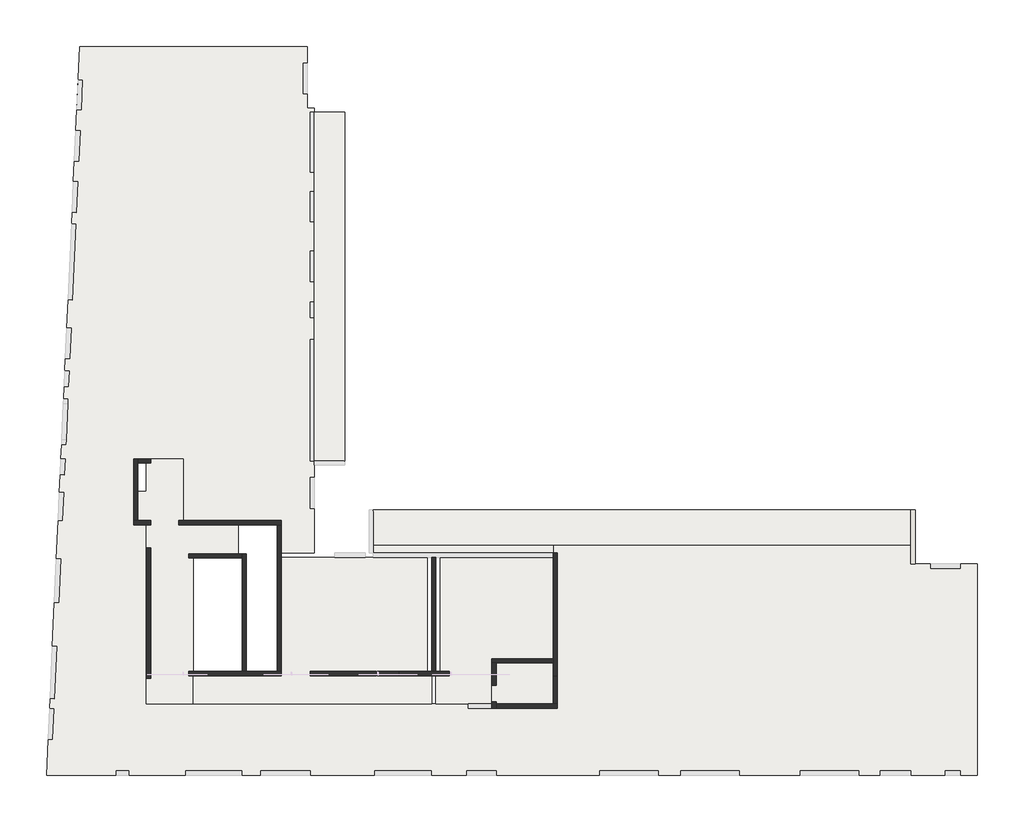
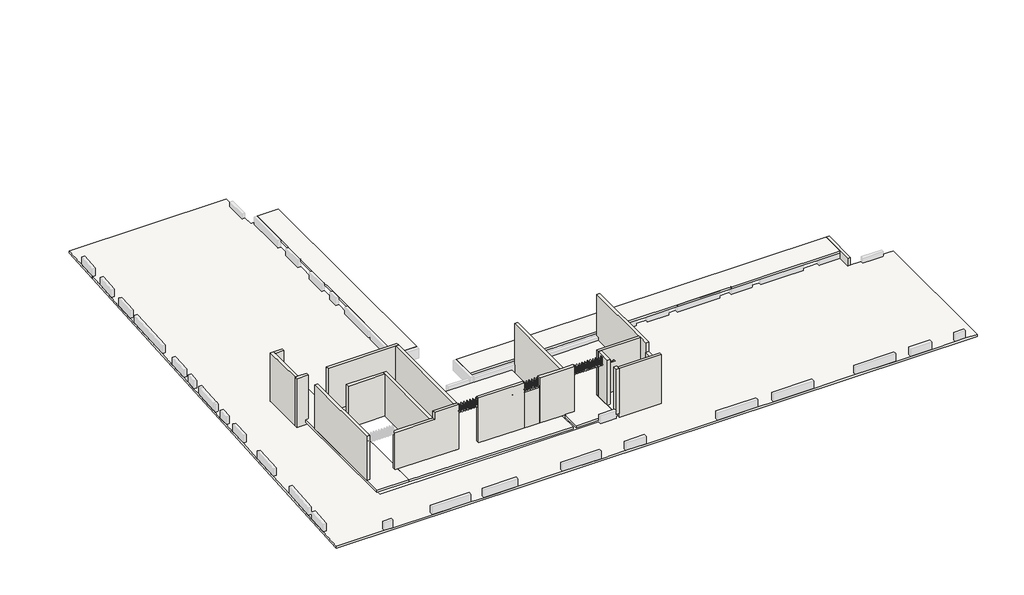
# One storey, part 1 of 3: 20 walls, 8 slabs.
"""IFC4 building model written with IfcOpenShell, lengths in millimetres."""

from ifc_helpers import new_model, si_unit, frame, origin, place, context, project, spatial, polyline, outline, extrude, faceted_brep, element, save

model = new_model("IFC4")

# Units and contexts
model_context = context("Model", 3, world=origin())
ifc_project = project(units=[si_unit("LENGTHUNIT", "METRE", prefix="MILLI")], contexts=[model_context])

# Site, building, storey
site = spatial("IfcSite", under=ifc_project)
building = spatial("IfcBuilding", under=site)
storey = spatial("IfcBuildingStorey", under=building, Elevation=22410.0)

# Slabs
placement = place(None, origin())
element("IfcSlab", 1, ObjectType="LHA15", at=placement, inside=storey, context=model_context, shape_type="Brep", body=[
    faceted_brep([(-40059.8363693, 17730.9327501, 22260.0), (-40059.8363693, 17730.9327501, 22410.0), (-29395.6912908, 17730.9327501, 22410.0), (-29395.6912908, 17730.9327501, 22260.0), (-17885.6912908, -5419.0672499, 22260.0), (-17885.6912908, -5419.0672499, 22410.0), (-14995.6912908, -5419.0672499, 22410.0), (-14215.6912908, -5419.0672499, 22410.0), (-12775.6912908, -5419.0672499, 22410.0), (-12195.6912908, -5419.0672499, 22410.0), (-9305.6912908, -5419.0672499, 22410.0), (-8525.6912908, -5419.0672499, 22410.0), (-7085.6912908, -5419.0672499, 22410.0), (-6505.6912908, -5419.0672499, 22410.0), (-3615.6912908, -5419.0672499, 22410.0), (-2545.6912908, -5419.0672499, 22410.0), (-1125.6912908, -5419.0672499, 22410.0), (-925.6912908, -5419.0672499, 22410.0), (-925.6912908, -5419.0672499, 22260.0), (1994.3087092, -6519.0672499, 22260.0), (1994.3087092, -6519.0672499, 22410.0), (1994.3087092, -16419.0672499, 22410.0), (1994.3087092, -16419.0672499, 22260.0), (1179.3087092, -16419.0672499, 22410.0), (489.3087092, -16419.0672499, 22410.0), (-1125.6912908, -16419.0672499, 22410.0), (-2555.6912908, -16419.0672499, 22410.0), (-3570.6912908, -16419.0672499, 22410.0), (-6305.6912908, -16419.0672499, 22410.0), (-9155.6912908, -16419.0672499, 22410.0), (-11895.6912908, -16419.0672499, 22410.0), (-12965.6912908, -16419.0672499, 22410.0), (-15705.6912908, -16419.0672499, 22410.0), (-20540.6912908, -16419.0672499, 22410.0), (-21930.6912908, -16419.0672499, 22410.0), (-23600.6912908, -16419.0672499, 22410.0), (-26230.6912908, -16419.0672499, 22410.0), (-29265.6912908, -16419.0672499, 22410.0), (-31585.6912908, -16419.0672499, 22410.0), (-32455.6912908, -16419.0672499, 22410.0), (-35095.6912908, -16419.0672499, 22410.0), (-37760.6912908, -16419.0672499, 22410.0), (-38350.6912908, -16419.0672499, 22410.0), (-41609.0481243, -16419.0672499, 22410.0), (-41609.0481243, -16419.0672499, 22260.0), (-35205.6912908, -4489.0672499, 22260.0), (-35205.6912908, -4489.0672499, 22410.0), (-35205.6912908, -1794.0672499, 22410.0), (-35205.6912908, -1794.0672499, 22260.0), (-37335.6912908, -1794.0672499, 22410.0), (-37335.6912908, -1794.0672499, 22260.0), (-37335.6912908, -4489.0672499, 22410.0), (-37335.6912908, -4489.0672499, 22260.0), (-36735.6912908, -4489.0672499, 22410.0), (-36735.6912908, -4489.0672499, 22260.0), (-36735.6912908, -13079.0672499, 22410.0), (-36735.6912908, -13079.0672499, 22260.0), (-21850.6912908, -13079.0672499, 22410.0), (-20750.6912908, -13079.0672499, 22410.0), (-17885.6912908, -13079.0672499, 22410.0), (-17885.6912908, -13079.0672499, 22260.0), (-17885.6912908, -5619.0672499, 22410.0), (-17885.6912908, -6004.0672499, 22260.0), (-17885.6912908, -6204.0672499, 22260.0), (-29065.6912908, 14850.9327501, 22260.0), (-29065.6912908, 14850.9327501, 22410.0), (-29065.6912908, 14650.9327501, 22410.0), (-29065.6912908, 11850.9327501, 22410.0), (-29065.6912908, 10925.9327501, 22410.0), (-29065.6912908, 9535.9327501, 22410.0), (-29065.6912908, 8150.9327501, 22410.0), (-29065.6912908, 6710.9327501, 22410.0), (-29065.6912908, 5760.9327501, 22410.0), (-29065.6912908, 5020.9327501, 22410.0), (-29065.6912908, 4000.9327501, 22410.0), (-29065.6912908, 1200.9327501, 22410.0), (-29065.6912908, 1000.9327501, 22410.0), (-29065.6912908, -1689.5482142, 22410.0), (-29065.6912908, -2469.0672499, 22410.0), (-29065.6912908, -3909.0672499, 22410.0), (-29065.6912908, -6004.0672499, 22410.0), (-29065.6912908, -6004.0672499, 22260.0), (-29065.6912908, -1889.5482142, 22260.0), (-29065.6912908, -1689.5482142, 22260.0), (-30805.6912908, -6004.0672499, 22410.0), (-30805.6912908, -6004.0672499, 22260.0), (-30805.6912908, -4689.0672499, 22410.0), (-30805.6912908, -4689.0672499, 22260.0), (-35405.6912908, -4689.0672499, 22410.0), (-35405.6912908, -4689.0672499, 22260.0), (-35405.6912908, -4489.0672499, 22410.0), (-35405.6912908, -4489.0672499, 22260.0), (-29395.6912908, 16950.9327501, 22410.0), (-29395.6912908, 15510.9327501, 22410.0), (-29395.6912908, 14850.9327501, 22410.0), (-29395.6912908, 14850.9327501, 22260.0), (-41532.7054566, -14736.2100849, 22410.0), (-41467.4470985, -13297.689544, 22410.0), (-41445.9209039, -12823.17756, 22410.0), (-41334.8458454, -10374.6980441, 22410.0), (-41241.7167301, -8321.8093555, 22410.0), (-41149.2673893, -6283.9052558, 22410.0), (-41067.2412586, -4475.7648537, 22410.0), (-41007.6476884, -3162.1158875, 22410.0), (-40970.0334959, -2332.9686312, 22410.0), (-40936.4979507, -1593.7289088, 22410.0), (-40905.6651591, -914.0672499, 22410.0), (-40896.5921767, -714.0672499, 22410.0), (-40895.4580539, -689.0672499, 22410.0), (-40819.9254749, 975.9327501, 22410.0), (-40818.7913521, 1000.9327501, 22410.0), (-40809.7183696, 1200.9327501, 22410.0), (-40782.4623975, 1801.7489043, 22410.0), (-40748.9268523, 2540.9886267, 22410.0), (-40723.3220104, 3105.4081445, 22410.0), (-40658.0636522, 4543.9286854, 22410.0), (-40598.016899, 5867.5673776, 22410.0), (-40436.6837357, 9423.909826, 22410.0), (-40412.4384429, 9958.3601659, 22410.0), (-40347.1800848, 11396.8807068, 22410.0), (-40303.6745126, 12355.8944008, 22410.0), (-40238.4161545, 13794.4149417, 22410.0), (-925.6912908, -6519.0672499, 22410.0), (-925.6912908, -6519.0672499, 22260.0), (-200.6912908, -6519.0672499, 22410.0), (1189.3087092, -6519.0672499, 22410.0)], [[[0, 1, 2, 3]], [[4, 5, 6, 7, 8, 9, 10, 11, 12, 13, 14, 15, 16, 17, 18]], [[19, 20, 21, 22]], [[22, 21, 23, 24, 25, 26, 27, 28, 29, 30, 31, 32, 33, 34, 35, 36, 37, 38, 39, 40, 41, 42, 43, 44]], [[45, 46, 47, 48]], [[48, 47, 49, 50]], [[50, 49, 51, 52]], [[52, 51, 53, 54]], [[54, 53, 55, 56]], [[56, 55, 57, 58, 59, 60]], [[60, 59, 61, 5, 4, 62, 63]], [[64, 65, 66, 67, 68, 69, 70, 71, 72, 73, 74, 75, 76, 77, 78, 79, 80, 81, 82, 83]], [[81, 80, 84, 85]], [[85, 84, 86, 87]], [[87, 86, 88, 89]], [[89, 88, 90, 91]], [[91, 90, 46, 45]], [[3, 2, 92, 93, 94, 95]], [[95, 94, 65, 64]], [[44, 43, 96, 97, 98, 99, 100, 101, 102, 103, 104, 105, 106, 107, 108, 109, 110, 111, 112, 113, 114, 115, 116, 117, 118, 119, 120, 121, 1, 0]], [[18, 17, 122, 123]], [[123, 122, 124, 125, 20, 19]], [[21, 20, 125, 124, 122, 17, 16, 15, 14, 13, 12, 11, 10, 9, 8, 7, 6, 5, 61, 59, 58, 57, 55, 53, 51, 49, 47, 46, 90, 88, 86, 84, 80, 79, 78, 77, 76, 75, 74, 73, 72, 71, 70, 69, 68, 67, 66, 65, 94, 93, 92, 2, 1, 121, 120, 119, 118, 117, 116, 115, 114, 113, 112, 111, 110, 109, 108, 107, 106, 105, 104, 103, 102, 101, 100, 99, 98, 97, 96, 43, 42, 41, 40, 39, 38, 37, 36, 35, 34, 33, 32, 31, 30, 29, 28, 27, 26, 25, 24, 23]], [[22, 44, 0, 3, 95, 64, 83, 82, 81, 85, 87, 89, 91, 45, 48, 50, 52, 54, 56, 60, 63, 62, 4, 18, 123, 19]]]),
])
element("IfcSlab", 2, ObjectType="LHA15", at=placement, inside=storey, context=model_context, shape_type="Brep", body=[
    faceted_brep([(-1125.6912908, -3999.0672499, 22810.0), (-1125.6912908, -3999.0672499, 22960.0), (-1125.6912908, -5619.0672499, 22945.0), (-1125.6912908, -5619.0672499, 22795.0), (-1125.6912908, -5419.0672499, 22796.8518519), (-26295.6912908, -5619.0672499, 22945.0), (-26295.6912908, -5619.0672499, 22795.0), (-23575.6912908, -5619.0672499, 22795.0), (-23375.6912908, -5619.0672499, 22795.0), (-20685.6912908, -5619.0672499, 22795.0), (-19905.6912908, -5619.0672499, 22795.0), (-18465.6912908, -5619.0672499, 22795.0), (-17885.6912908, -5619.0672499, 22795.0), (-14995.6912908, -5619.0672499, 22795.0), (-14215.6912908, -5619.0672499, 22795.0), (-12775.6912908, -5619.0672499, 22795.0), (-6505.6912908, -5619.0672499, 22795.0), (-3615.6912908, -5619.0672499, 22795.0), (-2545.6912908, -5619.0672499, 22795.0), (-26295.6912908, -3999.0672499, 22960.0), (-26295.6912908, -3999.0672499, 22810.0), (-26295.6912908, -5419.0672499, 22796.8518519)], [[[0, 1, 2, 3, 4]], [[3, 2, 5, 6, 7, 8, 9, 10, 11, 12, 13, 14, 15, 16, 17, 18]], [[6, 5, 19, 20, 21]], [[20, 19, 1, 0]], [[19, 5, 2, 1]], [[20, 0, 4, 3, 18, 17, 16, 15, 14, 13, 12, 11, 10, 9, 8, 7, 6, 21]]]),
])
element("IfcSlab", 3, ObjectType="LHA15", at=placement, inside=storey, context=model_context, shape_type="SweptSolid", body=[
    extrude(outline(polyline([(-37335.6912908, -4489.0672499), (-37335.6912908, -3119.0672499), (-36935.6912908, -3119.0672499), (-36935.6912908, -1794.0672499), (-36735.6912908, -1794.0672499), (-36735.6912908, -1594.0672499), (-35205.6912908, -1594.0672499), (-35205.6912908, -4489.0672499), (-35405.6912908, -4489.0672499), (-35405.6912908, -4689.0672499), (-32625.6912908, -4689.0672499), (-32625.6912908, -6044.0672499), (-34745.6912908, -6044.0672499), (-34745.6912908, -11559.0672499), (-34865.6912908, -11559.0672499), (-34865.6912908, -11759.0672499), (-34755.6912908, -11759.0672499), (-34755.6912908, -13079.0672499), (-36935.6912908, -13079.0672499), (-36935.6912908, -4489.0672499), (-37335.6912908, -4489.0672499)])), frame((0.0, 0.0, 22620.0), z_axis=(0.0, 0.0, 1.0), x_axis=(1.0, 0.0, 0.0)), (0.0, 0.0, 1.0), 150.0),
])
element("IfcSlab", 4, ObjectType="LHA15", at=placement, inside=storey, context=model_context, shape_type="SweptSolid", body=[
    extrude(outline(polyline([(22810.0, -27635.6912908), (22960.0, -27635.6912908), (22945.0, -29065.6912908), (22795.0, -29065.6912908), (22810.0, -27635.6912908)])), frame((0.0, -1689.5482142, 0.0), z_axis=(0.0, 1.0, 0.0), x_axis=(0.0, 0.0, 1.0)), (0.0, 0.0, 1.0), 16340.4809643),
])
element("IfcSlab", 5, ObjectType="LHA15", at=placement, inside=storey, context=model_context, shape_type="Brep", body=[
    faceted_brep([(-34755.6912908, -13079.0672499, 22619.9925002), (-34755.6912908, -11759.0672499, 22619.9925002), (-30805.6912908, -11759.0672499, 22580.4925002), (-30805.6912908, -6204.0672499, 22580.4925002), (-23775.6912908, -6204.0672499, 22510.1925002), (-23775.6912908, -11559.0672499, 22510.1925002), (-25095.6912908, -11559.0672499, 22523.3925002), (-25095.6912908, -11759.0672499, 22523.3925002), (-23575.6912908, -11759.0672499, 22508.1925002), (-23575.6912908, -13079.0672499, 22508.1925002), (-34755.6912908, -13079.0672499, 22770.0), (-23575.6912908, -13079.0672499, 22658.2), (-23575.6912908, -11759.0672499, 22658.2), (-25095.6912908, -11759.0672499, 22673.4), (-25095.6912908, -11559.0672499, 22673.4), (-23775.6912908, -11559.0672499, 22660.2), (-23775.6912908, -6204.0672499, 22660.2), (-30805.6912908, -6204.0672499, 22730.5), (-30805.6912908, -11759.0672499, 22730.5), (-34755.6912908, -11759.0672499, 22770.0)], [[[0, 1, 2, 3, 4, 5, 6, 7, 8, 9]], [[10, 11, 12, 13, 14, 15, 16, 17, 18, 19]], [[1, 0, 10, 19]], [[2, 1, 19, 18]], [[3, 2, 18, 17]], [[4, 3, 17, 16]], [[5, 4, 16, 15]], [[6, 5, 15, 14]], [[7, 6, 14, 13]], [[8, 7, 13, 12]], [[9, 8, 12, 11]], [[0, 9, 11, 10]]]),
])
element("IfcSlab", 6, ObjectType="LHA15", at=placement, inside=storey, context=model_context, shape_type="Brep", body=[
    faceted_brep([(-20750.6912908, -13079.0672499, 22559.9925002), (-23375.6912908, -13079.0672499, 22533.7425002), (-23375.6912908, -11759.0672499, 22533.7425002), (-22735.6912908, -11759.0672499, 22540.1425002), (-22735.6912908, -11559.0672499, 22540.1425002), (-23175.6912908, -11559.0672499, 22535.7425002), (-23175.6912908, -6204.0672499, 22535.7425002), (-17885.6912908, -6204.0672499, 22588.6425002), (-17885.6912908, -10959.0672499, 22588.6425002), (-20750.6912908, -10959.0672499, 22559.9925002), (-20750.6912908, -13079.0672499, 22710.0), (-20750.6912908, -10959.0672499, 22710.0), (-17885.6912908, -10959.0672499, 22738.65), (-17885.6912908, -6204.0672499, 22738.65), (-23175.6912908, -6204.0672499, 22685.75), (-23175.6912908, -11559.0672499, 22685.75), (-22735.6912908, -11559.0672499, 22690.15), (-22735.6912908, -11759.0672499, 22690.15), (-23375.6912908, -11759.0672499, 22683.75), (-23375.6912908, -13079.0672499, 22683.75)], [[[0, 1, 2, 3, 4, 5, 6, 7, 8, 9]], [[10, 11, 12, 13, 14, 15, 16, 17, 18, 19]], [[1, 0, 10, 19]], [[2, 1, 19, 18]], [[3, 2, 18, 17]], [[4, 3, 17, 16]], [[5, 4, 16, 15]], [[6, 5, 15, 14]], [[7, 6, 14, 13]], [[8, 7, 13, 12]], [[9, 8, 12, 11]], [[0, 9, 11, 10]]]),
])
element("IfcSlab", 7, ObjectType="LHA15", at=placement, inside=storey, context=model_context, shape_type="SweptSolid", body=[
    extrude(outline(polyline([(-17885.6912908, -10959.0672499), (-17885.6912908, -13079.0672499), (-20750.6912908, -13079.0672499), (-20750.6912908, -10959.0672499), (-17885.6912908, -10959.0672499)])), frame((0.0, 0.0, 22560.0), z_axis=(0.0, 0.0, 1.0), x_axis=(1.0, 0.0, 0.0)), (0.0, 0.0, 1.0), 150.0),
])
element("IfcSlab", 8, ObjectType="LHA20", at=placement, inside=storey, context=model_context, shape_type="Brep", body=[
    faceted_brep([(-17885.6912908, -5619.0672499, 22260.0), (-17885.6912908, -6004.0672499, 22260.0), (-23375.6912908, -6004.0672499, 22260.0), (-23575.6912908, -6004.0672499, 22260.0), (-26295.6912908, -6004.0672499, 22260.0), (-26295.6912908, -5619.0672499, 22260.0), (-23575.6912908, -5619.0672499, 22260.0), (-23375.6912908, -5619.0672499, 22260.0), (-20685.6912908, -5619.0672499, 22260.0), (-19905.6912908, -5619.0672499, 22260.0), (-18465.6912908, -5619.0672499, 22260.0), (-17885.6912908, -5619.0672499, 22460.0), (-26295.6912908, -5619.0672499, 22460.0), (-26295.6912908, -6004.0672499, 22460.0), (-17885.6912908, -6004.0672499, 22460.0)], [[[0, 1, 2, 3, 4, 5, 6, 7, 8, 9, 10]], [[11, 12, 13, 14]], [[1, 0, 11, 14]], [[4, 3, 2, 1, 14, 13]], [[5, 4, 13, 12]], [[0, 10, 9, 8, 7, 6, 5, 12, 11]]]),
])

# Walls
element("IfcWall", 9, ObjectType="MHA20", at=placement, inside=storey, context=model_context, shape_type="Brep", body=[
    faceted_brep([(-17885.6912908, -6004.0672499, 22410.0), (-17885.6912908, -10959.0672499, 22410.0), (-17885.6912908, -11159.0672499, 22410.0), (-17885.6912908, -11759.0672499, 22410.0), (-17885.6912908, -11759.0672499, 25930.0), (-17885.6912908, -11159.0672499, 25930.0), (-17885.6912908, -10959.0672499, 25930.0), (-17885.6912908, -6004.0672499, 25930.0), (-17885.6912908, -6004.0672499, 22960.0), (-17685.6912908, -6004.0672499, 22410.0), (-17685.6912908, -6004.0672499, 25930.0), (-17685.6912908, -11759.0672499, 25930.0), (-17685.6912908, -11759.0672499, 22410.0)], [[[0, 1, 2, 3, 4, 5, 6, 7, 8]], [[9, 10, 11, 12]], [[3, 2, 1, 0, 9, 12]], [[4, 3, 12, 11]], [[7, 6, 5, 4, 11, 10]], [[0, 8, 7, 10, 9]]]),
])
element("IfcWall", 10, ObjectType="MHA20", at=placement, inside=storey, context=model_context, shape_type="Brep", body=[
    faceted_brep([(-23575.6912908, -6204.0672499, 22410.0), (-23575.6912908, -11559.0672499, 22410.0), (-23575.6912908, -11759.0672499, 22410.0), (-23575.6912908, -11759.0672499, 22658.2), (-23575.6912908, -11559.0672499, 22658.2), (-23575.6912908, -11559.0672499, 25930.0), (-23575.6912908, -6204.0672499, 25930.0), (-23575.6912908, -6204.0672499, 22460.0), (-23375.6912908, -6204.0672499, 22410.0), (-23375.6912908, -6204.0672499, 22460.0), (-23375.6912908, -6204.0672499, 25930.0), (-23375.6912908, -11559.0672499, 25930.0), (-23375.6912908, -11559.0672499, 22684.6148649), (-23375.6912908, -11559.0672499, 22658.2), (-23375.6912908, -11759.0672499, 22658.2), (-23375.6912908, -11759.0672499, 22655.1382716), (-23375.6912908, -11759.0672499, 22410.0), (-23375.6912908, -11559.0672499, 22410.0)], [[[0, 1, 2, 3, 4, 5, 6, 7]], [[8, 9, 10, 11, 12, 13, 14, 15, 16, 17]], [[2, 1, 0, 8, 17, 16]], [[6, 5, 11, 10]], [[0, 7, 6, 10, 9, 8]], [[13, 4, 3, 14]], [[2, 16, 15, 14, 3]], [[4, 13, 12, 11, 5]]]),
])
element("IfcWall", 11, ObjectType="MHA20", at=placement, inside=storey, context=model_context, shape_type="Brep", body=[
    faceted_brep([(-17685.6912908, -13079.0672499, 22410.0), (-20550.6912908, -13079.0672499, 22410.0), (-20550.6912908, -13079.0672499, 25930.0), (-17685.6912908, -13079.0672499, 25930.0), (-17685.6912908, -13279.0672499, 22410.0), (-17685.6912908, -13279.0672499, 25930.0), (-20550.6912908, -13279.0672499, 25930.0), (-20550.6912908, -13279.0672499, 22710.0), (-20550.6912908, -13279.0672499, 22410.0)], [[[0, 1, 2, 3]], [[4, 5, 6, 7, 8]], [[1, 0, 4, 8]], [[3, 2, 6, 5]], [[0, 3, 5, 4]], [[2, 1, 8, 7, 6]]]),
])
element("IfcWall", 12, ObjectType="MHA20", at=placement, inside=storey, context=model_context, shape_type="SweptSolid", body=[
    extrude(outline(polyline([(-30605.6912908, -4689.0672499), (-35405.6912908, -4689.0672499), (-35405.6912908, -4489.0672499), (-30605.6912908, -4489.0672499), (-30605.6912908, -4689.0672499)])), frame((0.0, 0.0, 22410.0), z_axis=(0.0, 0.0, 1.0), x_axis=(1.0, 0.0, 0.0)), (0.0, 0.0, 1.0), 3520.0),
])
element("IfcWall", 13, ObjectType="MHA20", at=placement, inside=storey, context=model_context, shape_type="Brep", body=[
    faceted_brep([(-32245.6912908, -11559.0672499, 25430.0), (-32245.6912908, -11559.0672499, 22410.0), (-32245.6912908, -6044.0672499, 22410.0), (-32245.6912908, -6044.0672499, 25430.0), (-32445.6912908, -11559.0672499, 22410.0), (-32445.6912908, -11559.0672499, 25430.0), (-32445.6912908, -6244.0672499, 25430.0), (-32445.6912908, -6044.0672499, 25430.0), (-32445.6912908, -6044.0672499, 22410.0), (-32445.6912908, -6244.0672499, 22410.0)], [[[0, 1, 2, 3]], [[4, 5, 6, 7, 8, 9]], [[2, 1, 4, 9, 8]], [[0, 3, 7, 6, 5]], [[3, 2, 8, 7]], [[0, 5, 4, 1]]]),
])
element("IfcWall", 14, ObjectType="MHA20", at=placement, inside=storey, context=model_context, shape_type="Brep", body=[
    faceted_brep([(-34945.6912908, -11759.0672499, 22771.9), (-30605.6912908, -11759.0672499, 22728.5), (-30605.6912908, -11759.0672499, 25930.0), (-32245.6912908, -11759.0672499, 25930.0), (-32245.6912908, -11759.0672499, 25430.0), (-32445.6912908, -11759.0672499, 25430.0), (-34945.6912908, -11759.0672499, 25430.0), (-34945.6912908, -11559.0672499, 22771.9), (-34945.6912908, -11559.0672499, 24870.0), (-34945.6912908, -11559.0672499, 25280.0), (-34945.6912908, -11559.0672499, 25430.0), (-32445.6912908, -11559.0672499, 25430.0), (-32245.6912908, -11559.0672499, 25430.0), (-32245.6912908, -11559.0672499, 25930.0), (-30605.6912908, -11559.0672499, 25930.0), (-30605.6912908, -11559.0672499, 22728.5)], [[[0, 1, 2, 3, 4, 5, 6]], [[7, 8, 9, 10, 11, 12, 13, 14, 15]], [[2, 1, 15, 14]], [[6, 5, 4, 12, 11, 10]], [[0, 6, 10, 9, 8, 7]], [[1, 0, 7, 15]], [[3, 2, 14, 13]], [[4, 3, 13, 12]]]),
])
element("IfcWall", 15, ObjectType="MHA20", at=placement, inside=storey, context=model_context, shape_type="Brep", body=[
    faceted_brep([(-34945.6912908, -6244.0672499, 22410.0), (-32445.6912908, -6244.0672499, 22410.0), (-32445.6912908, -6244.0672499, 25430.0), (-34945.6912908, -6244.0672499, 25430.0), (-34945.6912908, -6244.0672499, 25280.0), (-34945.6912908, -6244.0672499, 24870.0), (-34945.6912908, -6044.0672499, 22410.0), (-34945.6912908, -6044.0672499, 25430.0), (-32445.6912908, -6044.0672499, 25430.0), (-32445.6912908, -6044.0672499, 22410.0)], [[[0, 1, 2, 3, 4, 5]], [[6, 7, 8, 9]], [[1, 0, 6, 9]], [[3, 2, 8, 7]], [[0, 5, 4, 3, 7, 6]], [[2, 1, 9, 8]]]),
])
element("IfcWall", 16, ObjectType="MHA20", at=placement, inside=storey, context=model_context, shape_type="Brep", body=[
    faceted_brep([(-36735.6912908, -11889.0672499, 22770.0), (-36735.6912908, -5774.0672499, 22770.0), (-36735.6912908, -5774.0672499, 25430.0), (-36735.6912908, -5774.0672499, 25930.0), (-36735.6912908, -11889.0672499, 25930.0), (-36735.6912908, -11889.0672499, 25430.0), (-36935.6912908, -11889.0672499, 22770.0), (-36935.6912908, -11889.0672499, 25430.0), (-36935.6912908, -11889.0672499, 25930.0), (-36935.6912908, -5774.0672499, 25930.0), (-36935.6912908, -5774.0672499, 25430.0), (-36935.6912908, -5774.0672499, 22770.0)], [[[0, 1, 2, 3, 4, 5]], [[6, 7, 8, 9, 10, 11]], [[1, 0, 6, 11]], [[3, 2, 1, 11, 10, 9]], [[4, 3, 9, 8]], [[0, 5, 4, 8, 7, 6]]]),
])
element("IfcWall", 17, ObjectType="MHA20", at=placement, inside=storey, context=model_context, shape_type="Brep", body=[
    faceted_brep([(-37335.6912908, -4489.0672499, 22410.0), (-37335.6912908, -1794.0672499, 22410.0), (-37335.6912908, -1594.0672499, 22410.0), (-37335.6912908, -1594.0672499, 25930.0), (-37335.6912908, -1794.0672499, 25930.0), (-37335.6912908, -4489.0672499, 25930.0), (-37535.6912908, -4489.0672499, 22410.0), (-37535.6912908, -4489.0672499, 25930.0), (-37535.6912908, -1594.0672499, 25930.0), (-37535.6912908, -1594.0672499, 22410.0)], [[[0, 1, 2, 3, 4, 5]], [[6, 7, 8, 9]], [[2, 1, 0, 6, 9]], [[5, 4, 3, 8, 7]], [[0, 5, 7, 6]], [[3, 2, 9, 8]]]),
])
element("IfcWall", 18, ObjectType="MHA20", at=placement, inside=storey, context=model_context, shape_type="SweptSolid", body=[
    extrude(outline(polyline([(-37335.6912908, -1594.0672499), (-36735.6912908, -1594.0672499), (-36735.6912908, -1794.0672499), (-37335.6912908, -1794.0672499), (-37335.6912908, -1594.0672499)])), frame((0.0, 0.0, 22410.0), z_axis=(0.0, 0.0, 1.0), x_axis=(1.0, 0.0, 0.0)), (0.0, 0.0, 1.0), 3520.0),
])
element("IfcWall", 19, ObjectType="MHA20", at=placement, inside=storey, context=model_context, shape_type="Brep", body=[
    faceted_brep([(-22735.6912908, -11559.0672499, 22690.15), (-23375.6912908, -11559.0672499, 22684.6148649), (-23375.6912908, -11559.0672499, 22658.2), (-23575.6912908, -11559.0672499, 22658.2), (-23675.6912908, -11559.0672499, 22658.2), (-25095.6912908, -11559.0672499, 22673.4), (-25095.6912908, -11559.0672499, 25930.0), (-23575.6912908, -11559.0672499, 25930.0), (-23375.6912908, -11559.0672499, 25930.0), (-22735.6912908, -11559.0672499, 25930.0), (-22735.6912908, -11759.0672499, 22690.15), (-22735.6912908, -11759.0672499, 25930.0), (-25095.6912908, -11759.0672499, 25930.0), (-25095.6912908, -11759.0672499, 22673.4), (-23675.6912908, -11759.0672499, 22658.2), (-23575.6912908, -11759.0672499, 22658.2), (-23375.6912908, -11759.0672499, 22658.2), (-23375.6912908, -11759.0672499, 22684.6148649)], [[[0, 1, 2, 3, 4, 5, 6, 7, 8, 9]], [[10, 11, 12, 13, 14, 15, 16, 17]], [[6, 5, 13, 12]], [[9, 8, 7, 6, 12, 11]], [[0, 9, 11, 10]], [[1, 0, 10, 17]], [[4, 3, 2, 16, 15, 14]], [[5, 4, 14, 13]], [[1, 17, 16, 2]]]),
])
element("IfcWall", 20, ObjectType="MHA20", at=placement, inside=storey, context=model_context, shape_type="SweptSolid", body=[
    extrude(outline(polyline([(-26155.6912908, -11759.0672499), (-29265.6912908, -11759.0672499), (-29265.6912908, -11559.0672499), (-26155.6912908, -11559.0672499), (-26155.6912908, -11759.0672499)])), frame((0.0, 0.0, 22410.0), z_axis=(0.0, 0.0, 1.0), x_axis=(1.0, 0.0, 0.0)), (0.0, 0.0, 1.0), 3520.0),
])
element("IfcWall", 21, ObjectType="MHA20", at=placement, inside=storey, context=model_context, shape_type="SweptSolid", body=[
    extrude(outline(polyline([(-11559.0672499, 22580.4925002), (-11559.0672499, 25930.0), (-4689.0672499, 25930.0), (-4689.0672499, 22410.0), (-6204.0672499, 22410.0), (-6204.0672499, 22580.4925002), (-11559.0672499, 22580.4925002)])), frame((-30805.6912908, 0.0, 0.0), z_axis=(1.0, 0.0, 0.0), x_axis=(0.0, 1.0, 0.0)), (0.0, 0.0, 1.0), 200.0),
])
element("IfcWall", 22, ObjectType="MHA20", at=placement, inside=storey, context=model_context, shape_type="Brep", body=[
    faceted_brep([(-20750.6912908, -11159.0672499, 25930.0), (-20750.6912908, -11159.0672499, 22710.0), (-20750.6912908, -11159.0672499, 22410.0), (-20550.6912908, -11159.0672499, 22410.0), (-17885.6912908, -11159.0672499, 22410.0), (-17885.6912908, -11159.0672499, 25930.0), (-20550.6912908, -11159.0672499, 25930.0), (-20750.6912908, -10959.0672499, 22410.0), (-20750.6912908, -10959.0672499, 25930.0), (-17885.6912908, -10959.0672499, 25930.0), (-17885.6912908, -10959.0672499, 22410.0), (-20550.6912908, -10959.0672499, 22410.0)], [[[0, 1, 2, 3, 4, 5, 6]], [[7, 8, 9, 10, 11]], [[4, 3, 2, 7, 11, 10]], [[0, 6, 5, 9, 8]], [[0, 8, 7, 2, 1]], [[5, 4, 10, 9]]]),
])
element("IfcWall", 23, ObjectType="MHA20", at=placement, inside=storey, context=model_context, shape_type="Brep", body=[
    faceted_brep([(-20550.6912908, -12209.0672499, 22710.0), (-20550.6912908, -11759.0672499, 22710.0), (-20550.6912908, -11159.0672499, 22710.0), (-20550.6912908, -11159.0672499, 25930.0), (-20550.6912908, -12209.0672499, 25930.0), (-20550.6912908, -12209.0672499, 25430.0), (-20550.6912908, -12209.0672499, 25280.0), (-20550.6912908, -12209.0672499, 24850.0), (-20750.6912908, -12209.0672499, 22710.0), (-20750.6912908, -12209.0672499, 24850.0), (-20750.6912908, -12209.0672499, 25280.0), (-20750.6912908, -12209.0672499, 25430.0), (-20750.6912908, -12209.0672499, 25930.0), (-20750.6912908, -11159.0672499, 25930.0), (-20750.6912908, -11159.0672499, 22710.0), (-20750.6912908, -11759.0672499, 22710.0)], [[[0, 1, 2, 3, 4, 5, 6, 7]], [[8, 9, 10, 11, 12, 13, 14, 15]], [[2, 1, 0, 8, 15, 14]], [[4, 3, 13, 12]], [[0, 7, 6, 5, 4, 12, 11, 10, 9, 8]], [[3, 2, 14, 13]]]),
])
element("IfcWall", 24, ObjectType="MHA20", at=placement, inside=storey, context=model_context, shape_type="Brep", body=[
    faceted_brep([(-36735.6912908, -4489.0672499, 22410.0), (-37335.6912908, -4489.0672499, 22410.0), (-37535.6912908, -4489.0672499, 22410.0), (-37535.6912908, -4489.0672499, 25930.0), (-37335.6912908, -4489.0672499, 25930.0), (-36735.6912908, -4489.0672499, 25930.0), (-36735.6912908, -4689.0672499, 22410.0), (-36735.6912908, -4689.0672499, 25930.0), (-37535.6912908, -4689.0672499, 25930.0), (-37535.6912908, -4689.0672499, 22410.0)], [[[0, 1, 2, 3, 4, 5]], [[6, 7, 8, 9]], [[2, 1, 0, 6, 9]], [[5, 4, 3, 8, 7]], [[0, 5, 7, 6]], [[3, 2, 9, 8]]]),
])
element("IfcWall", 25, ObjectType="MHA20", at=placement, inside=storey, context=model_context, shape_type="SweptSolid", body=[
    extrude(outline(polyline([(22683.75, -26130.6912908), (22673.65, -25120.6912908), (25255.0, -25120.6912908), (25255.0, -26130.6912908), (22683.75, -26130.6912908)])), frame((0.0, -11759.0672499, 0.0), z_axis=(0.0, 1.0, 0.0), x_axis=(0.0, 0.0, 1.0)), (0.0, 0.0, 1.0), 200.0),
])
element("IfcWall", 26, ObjectType="MHA20", at=placement, inside=storey, context=model_context, shape_type="Brep", body=[
    faceted_brep([(-925.6912908, -6519.0672499, 22410.0), (-925.6912908, -3999.0672499, 22410.0), (-925.6912908, -3999.0672499, 22960.0), (-925.6912908, -6519.0672499, 22960.0), (-1125.6912908, -6519.0672499, 22410.0), (-1125.6912908, -6519.0672499, 22750.0), (-1125.6912908, -6519.0672499, 22960.0), (-1125.6912908, -3999.0672499, 22960.0), (-1125.6912908, -3999.0672499, 22410.0), (-1125.6912908, -5419.0672499, 22410.0), (-1125.6912908, -5619.0672499, 22410.0)], [[[0, 1, 2, 3]], [[4, 5, 6, 7, 8, 9, 10]], [[1, 0, 4, 10, 9, 8]], [[2, 1, 8, 7]], [[3, 2, 7, 6]], [[0, 3, 6, 5, 4]]]),
])
element("IfcWall", 27, ObjectType="MHA20", at=placement, inside=storey, context=model_context, shape_type="Brep", body=[
    faceted_brep([(-20550.6912908, -13279.0672499, 22710.0), (-20550.6912908, -12989.0672499, 22710.0), (-20550.6912908, -12989.0672499, 24850.0), (-20550.6912908, -12989.0672499, 25280.0), (-20550.6912908, -12989.0672499, 25430.0), (-20550.6912908, -12989.0672499, 25930.0), (-20550.6912908, -13079.0672499, 25930.0), (-20550.6912908, -13279.0672499, 25930.0), (-20750.6912908, -13279.0672499, 22710.0), (-20750.6912908, -13279.0672499, 22960.0), (-20750.6912908, -13279.0672499, 25430.0), (-20750.6912908, -13279.0672499, 25930.0), (-20750.6912908, -13079.0672499, 25930.0), (-20750.6912908, -12989.0672499, 25930.0), (-20750.6912908, -12989.0672499, 25430.0), (-20750.6912908, -12989.0672499, 25280.0), (-20750.6912908, -12989.0672499, 24850.0), (-20750.6912908, -12989.0672499, 22710.0)], [[[0, 1, 2, 3, 4, 5, 6, 7]], [[8, 9, 10, 11, 12, 13, 14, 15, 16, 17]], [[1, 0, 8, 17]], [[5, 4, 3, 2, 1, 17, 16, 15, 14, 13]], [[7, 6, 5, 13, 12, 11]], [[0, 7, 11, 10, 9, 8]]]),
])
element("IfcWall", 28, ObjectType="MHA20", at=placement, inside=storey, context=model_context, shape_type="SweptSolid", body=[
    extrude(outline(polyline([(-17685.6912908, -11784.0672499), (-17685.6912908, -13054.0672499), (-17885.6912908, -13054.0672499), (-17885.6912908, -11784.0672499), (-17685.6912908, -11784.0672499)])), frame((0.0, 0.0, 22410.0), z_axis=(0.0, 0.0, 1.0), x_axis=(1.0, 0.0, 0.0)), (0.0, 0.0, 1.0), 2845.0),
])

save(model, "model.ifc")
